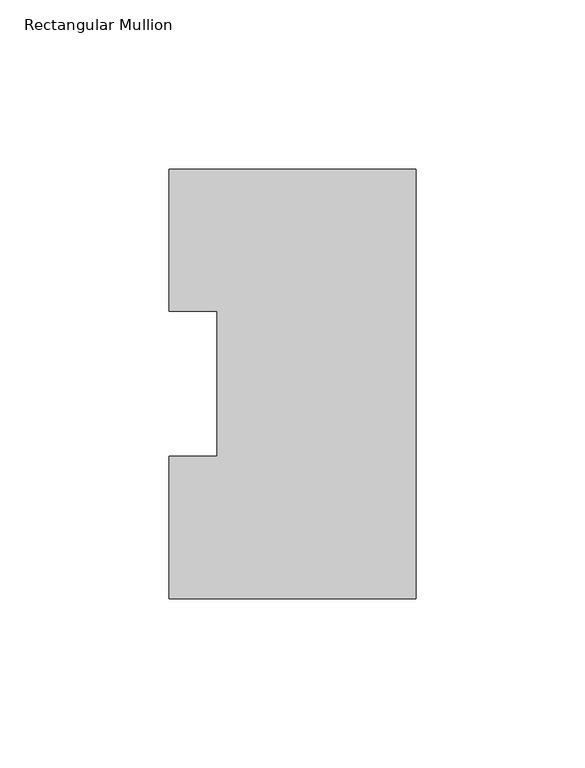
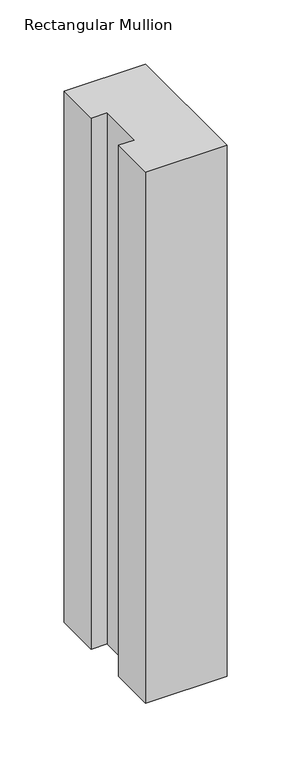
"""IFC4 building model written with IfcOpenShell, lengths in millimetres: member geometry, Rectangular Mullion."""

from ifc_helpers import new_model, si_unit, frame, origin, place, context, project, spatial, polyline, outline, extrude, source, transform, mapped, element, save


def rectangular_mullion_1f2fe56c(model_context):
    return source(origin(), model_context, "Body", "SweptSolid", [
        extrude(outline(polyline([(0.0, 127.00635), (0.0, 0.00635), (-73.025, 0.00635), (-73.025, 42.08145), (-58.7375, 42.08145), (-58.7375, 84.93125), (-73.025, 84.93125), (-73.025, 127.00635), (0.0, 127.00635)])), frame((0.0, 0.0, -504.8247287), z_axis=(0.0, 0.0, 1.0), x_axis=(1.0, 0.0, 0.0)), (0.0, 0.0, 1.0), 504.8247287),
    ])


if __name__ == "__main__":
    model = new_model("IFC4")
    model_context = context("Model", 3, world=origin())
    ifc_project = project(units=[si_unit("LENGTHUNIT", "METRE", prefix="MILLI")], contexts=[model_context])
    site = spatial("IfcSite", under=ifc_project)
    building = spatial("IfcBuilding", under=site)
    placement = place(None, origin())
    rectangular_mullion_shape = rectangular_mullion_1f2fe56c(model_context)
    element("IfcMember", 1, ObjectType="Rectangular Mullion", at=placement, inside=building, context=model_context, shape_type="MappedRepresentation", body=[
        mapped(rectangular_mullion_shape, transform((0.0, 0.0, 0.0), x_axis=(1.0, 0.0, 0.0), y_axis=(0.0, 1.0, 0.0), z_axis=(0.0, 0.0, 1.0))),
    ])
    save(model, "model.ifc")
